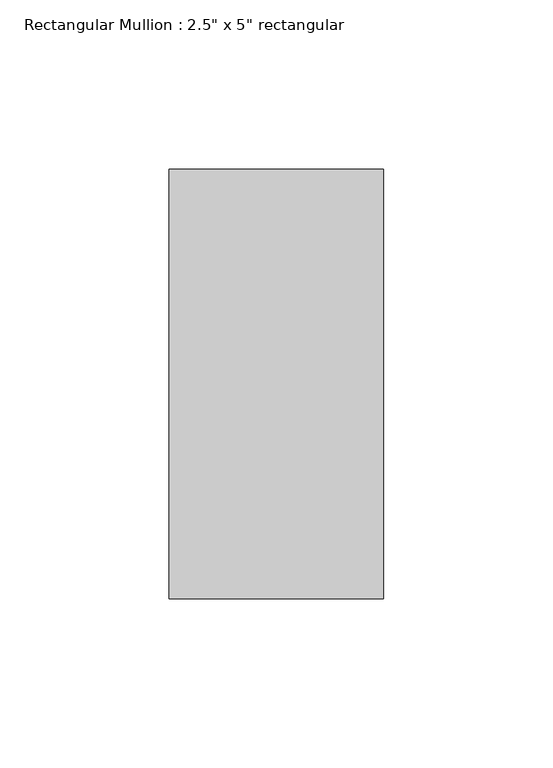
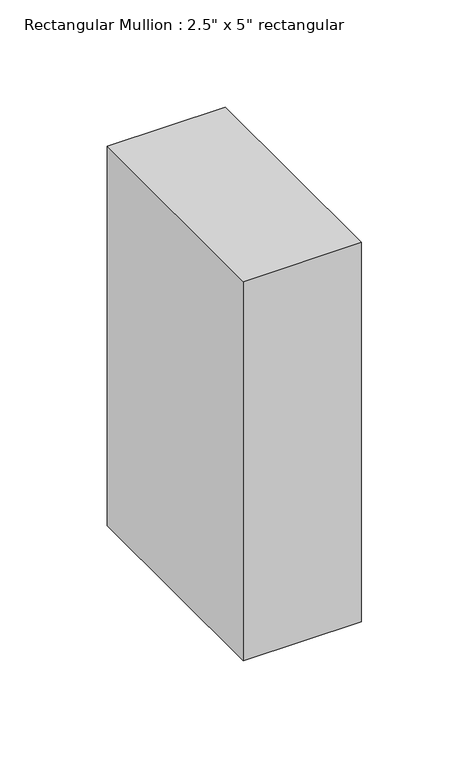
"""IFC4 building model written with IfcOpenShell, lengths in millimetres: member geometry."""

from ifc_helpers import new_model, si_unit, frame, origin, place, context, project, spatial, polyline, outline, extrude, source, transform, mapped, element, save


def member_78717040(model_context):
    return source(origin(), model_context, "Body", "SweptSolid", [
        extrude(outline(polyline([(31.75, 63.5), (31.75, -63.5), (-31.75, -63.5), (-31.75, 63.5), (31.75, 63.5)])), frame((0.0, 0.0, -215.9), z_axis=(0.0, 0.0, 1.0), x_axis=(1.0, 0.0, 0.0)), (0.0, 0.0, 1.0), 215.9),
    ])


if __name__ == "__main__":
    model = new_model("IFC4")
    model_context = context("Model", 3, world=origin())
    ifc_project = project(units=[si_unit("LENGTHUNIT", "METRE", prefix="MILLI")], contexts=[model_context])
    site = spatial("IfcSite", under=ifc_project)
    building = spatial("IfcBuilding", under=site)
    placement = place(None, origin())
    member_shape = member_78717040(model_context)
    element("IfcMember", 1, ObjectType="Rectangular Mullion : 2.5\" x 5\" rectangular", at=placement, inside=building, context=model_context, shape_type="MappedRepresentation", body=[
        mapped(member_shape, transform((0.0, 0.0, 0.0), x_axis=(1.0, 0.0, 0.0), y_axis=(0.0, 1.0, 0.0), z_axis=(0.0, 0.0, 1.0))),
    ])
    save(model, "model.ifc")
